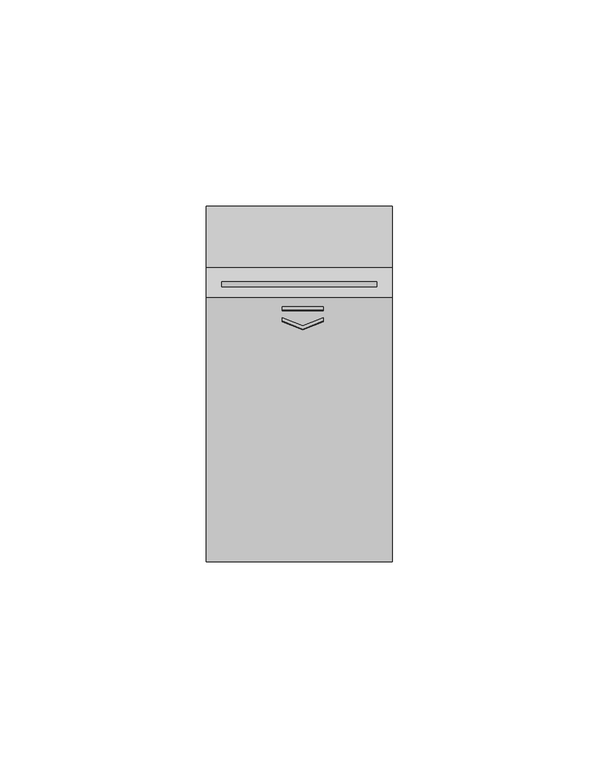
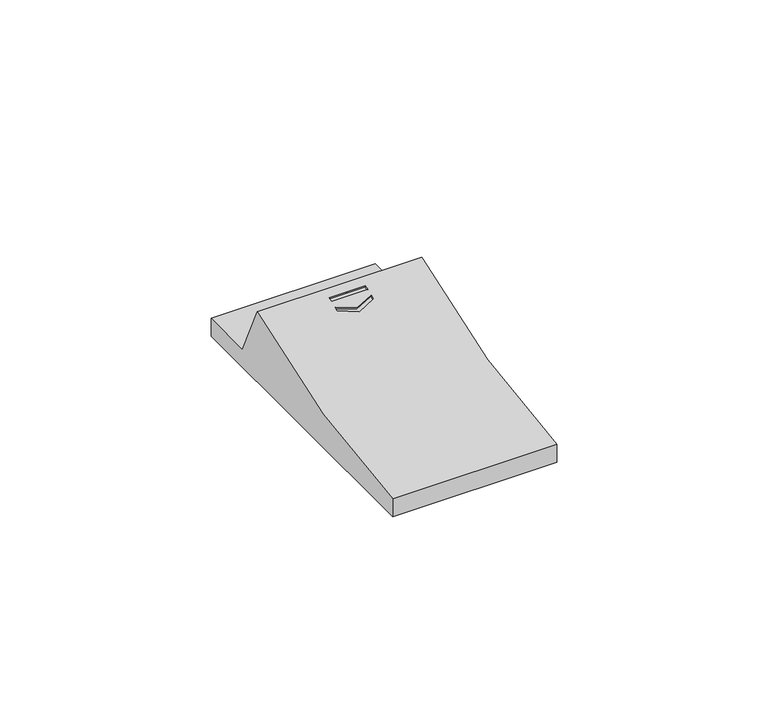
"""IFC4 building model written with IfcOpenShell, lengths in millimetres: proxy geometry."""

from ifc_helpers import new_model, si_unit, frame, origin, place, context, project, spatial, polyline, circle_curve, ellipse_curve, source, transform, mapped, element, save
from ifc_brep_helpers import plane_surface, revolved_surface, advanced_brep


def electrical_fixtures_a08c977b(model_context):
    return source(origin(), model_context, "Body", "AdvancedBrep", [
        advanced_brep(
        [(45.0, 86.0, 10.7), (45.0, 71.14, 10.7), (45.0, 64.0, 26.0), (45.0, 0.0, 10.7), (45.0, 0.0, 5.5), (45.0, 86.0, 5.5), (0.0, 86.0, 10.7), (0.0, 86.0, 5.5), (0.0, 0.0, 5.5), (0.0, 0.0, 10.7), (0.0, 64.0, 26.0), (0.0, 71.14, 10.7), (41.3, 67.7409841, 17.9836055), (41.3, 66.5401451, 20.556832), (3.7, 66.5401451, 20.556832), (3.7, 67.7409841, 17.9836055), (23.325, 62.0114424, 24.3197945), (18.3965057, 62.0114424, 24.3197945), (18.3965057, 60.97647, 23.9225058), (23.325, 60.97647, 23.9225058), (28.2534943, 60.97647, 23.9225058), (28.2534943, 62.0114424, 24.3197945), (18.3965057, 59.317157, 23.2855552), (18.3965057, 58.2821846, 22.8882666), (23.325, 56.3085679, 22.1306661), (28.2534943, 58.2821846, 22.8882666), (28.2534943, 59.317157, 23.2855552), (23.325, 57.3435402, 22.5279548), (28.2534943, 61.7538574, 24.9908264), (23.325, 61.7538574, 24.9908264), (28.2534943, 60.7368686, 24.546689), (23.325, 60.7368686, 24.546689), (18.3965057, 60.7368686, 24.546689), (18.3965057, 61.7538574, 24.9908264), (23.325, 57.146505, 23.041249), (18.3965057, 59.1009652, 23.8487541), (28.2534943, 59.1009652, 23.8487541), (28.2534943, 58.0772151, 23.4222305), (23.325, 56.1178086, 22.6276109), (18.3965057, 58.0772151, 23.4222305), (41.3, 46.5694673, 8.1035643), (41.3, 45.3686282, 10.6767908), (3.7, 45.3686282, 10.6767908), (3.7, 46.5694673, 8.1035643)],
        [
            (0, 1),
            (1, 2),
            (2, 3, circle_curve(frame((45.0, -6.7624063, 180.4933989), z_axis=(-1.0, 0.0, 0.0), x_axis=(0.0, 1.0, 0.0)), 169.9280096)),
            (3, 4),
            (4, 5),
            (5, 0),
            (6, 7),
            (7, 8),
            (8, 9),
            (9, 10, circle_curve(frame((0.0, -6.7624063, 180.4933989), z_axis=(1.0, 0.0, 0.0), x_axis=(0.0, 1.0, 0.0)), 169.9280096)),
            (10, 11),
            (11, 6),
            (5, 7),
            (6, 0),
            (4, 8),
            (1, 11),
            (10, 2),
            (12, 13),
            (13, 14),
            (14, 15),
            (15, 12),
            (16, 17),
            (17, 18),
            (18, 19),
            (19, 20),
            (20, 21),
            (21, 16),
            (22, 23),
            (23, 24),
            (24, 25),
            (25, 26),
            (26, 27),
            (27, 22),
            (21, 28),
            (28, 29),
            (29, 16),
            (20, 30),
            (30, 28, circle_curve(frame((28.2534943, -6.7624063, 180.4933989), z_axis=(1.0, 0.0, 0.0), x_axis=(0.0, 1.0, 0.0)), 169.9280096)),
            (19, 31),
            (31, 30),
            (18, 32),
            (32, 31),
            (17, 33),
            (33, 32, circle_curve(frame((18.3965057, -6.7624063, 180.4933989), z_axis=(-1.0, 0.0, 0.0), x_axis=(0.0, 1.0, 0.0)), 169.9280096)),
            (29, 33),
            (27, 34),
            (34, 35, ellipse_curve(frame((30.8745466, -6.7624063, 180.4933989), z_axis=(0.3942056566269387, 0.8579811862935159, 0.3293481201550954), x_axis=(-0.9190222523330563, 0.3680226850413878, 0.1412706728645523)), 431.0643613, 169.9280096)),
            (35, 22),
            (26, 36),
            (36, 34, ellipse_curve(frame((15.7754534, -6.7624063, 180.4933989), z_axis=(-0.3942056566269386, 0.8579811862935159, 0.3293481201550954), x_axis=(-0.9190222523330565, -0.36802268504138774, -0.1412706728645523)), 431.0643613, 169.9280096)),
            (25, 37),
            (37, 36, circle_curve(frame((28.2534943, -6.7624063, 180.4933989), z_axis=(1.0, 0.0, 0.0), x_axis=(0.0, 1.0, 0.0)), 169.9280096)),
            (24, 38),
            (38, 37, ellipse_curve(frame((18.3599751, -6.7624063, 180.4933989), z_axis=(0.39420565662695345, -0.857981186293508, -0.3293481201550989), x_axis=(-0.91902225233305, -0.3680226850414006, -0.14127067286456005)), 431.0643613, 169.9280096)),
            (23, 39),
            (39, 38, ellipse_curve(frame((28.2900249, -6.7624063, 180.4933989), z_axis=(-0.394205656626953, -0.8579811862935103, -0.32934812015509324), x_axis=(-0.9190222523330503, 0.3680226850414012, 0.14127067286455747)), 431.0643613, 169.9280096)),
            (35, 39, circle_curve(frame((18.3965057, -6.7624063, 180.4933989), z_axis=(-1.0, 0.0, 0.0), x_axis=(0.0, 1.0, 0.0)), 169.9280096)),
            (12, 40),
            (40, 41),
            (41, 13),
            (14, 42),
            (42, 43),
            (43, 15),
            (41, 42),
            (40, 43),
            (9, 3),
        ],
        [
            plane_surface(frame((45.0, -1399.4208958, 10.7), z_axis=(1.0, 0.0, 0.0), x_axis=(0.0, -1.0, 0.0))),
            plane_surface(frame((0.0, -1399.4208958, 10.7), z_axis=(-1.0, 0.0, 0.0), x_axis=(0.0, 1.0, 0.0))),
            plane_surface(frame((45.0, 86.0, 5.5), z_axis=(0.0, 1.0, 0.0), x_axis=(-1.0, 0.0, 0.0))),
            plane_surface(frame((45.0, 0.0, 5.5), z_axis=(0.0, 0.0, -1.0), x_axis=(-1.0, 0.0, 0.0))),
            plane_surface(frame((45.0, 71.14, 10.7), z_axis=(0.0, 0.9061831399952359, 0.4228854653311871), x_axis=(-1.0, 0.0, 0.0))),
            plane_surface(frame((45.0, 86.0, 10.7), z_axis=(0.0, 0.0, 1.0), x_axis=(-1.0, 0.0, 0.0))),
            plane_surface(frame((27.3159943, 62.0114424, 24.3197945), z_axis=(0.0, -0.35836794954529977, 0.933580426497202), x_axis=(1.0, 0.0, 0.0))),
            plane_surface(frame((23.325, 62.0114424, 24.3197945), z_axis=(0.0, -0.9335804264972017, -0.3583679495453005), x_axis=(0.0, -0.3583679495453005, 0.9335804264972017))),
            plane_surface(frame((28.2534943, 62.0114424, 24.3197945), z_axis=(-1.0000000000000002, 0.0, 0.0), x_axis=(0.0, -0.3583679495453005, 0.9335804264972017))),
            plane_surface(frame((28.2534943, 60.97647, 23.9225058), z_axis=(0.0, 0.9335804264972017, 0.3583679495453005), x_axis=(0.0, -0.3583679495453005, 0.9335804264972017))),
            plane_surface(frame((23.325, 60.97647, 23.9225058), z_axis=(0.0, 0.9335804264972039, 0.3583679495452953), x_axis=(0.0, -0.3583679495452953, 0.9335804264972039))),
            plane_surface(frame((18.3965057, 60.97647, 23.9225058), z_axis=(1.0000000000000002, 0.0, 0.0), x_axis=(0.0, -0.3583679495453005, 0.9335804264972017))),
            plane_surface(frame((18.3965057, 62.0114424, 24.3197945), z_axis=(0.0, -0.9335804264972017, -0.3583679495453005), x_axis=(0.0, -0.3583679495453005, 0.9335804264972017))),
            plane_surface(frame((18.3965057, 59.317157, 23.2855552), z_axis=(-0.3942056566269388, -0.8579811862935162, -0.32934812015509546), x_axis=(0.0, -0.3583679495452942, 0.9335804264972042))),
            plane_surface(frame((23.325, 57.3435402, 22.5279548), z_axis=(0.39420565662693874, -0.8579811862935162, -0.32934812015509546), x_axis=(0.0, -0.3583679495452942, 0.9335804264972042))),
            plane_surface(frame((28.2534943, 59.317157, 23.2855552), z_axis=(-1.0000000000000002, 0.0, 0.0), x_axis=(0.0, -0.3583679495453005, 0.9335804264972017))),
            plane_surface(frame((28.2534943, 58.2821846, 22.8882666), z_axis=(-0.39420565662695345, 0.857981186293508, 0.3293481201550989), x_axis=(0.0, -0.3583679495453005, 0.9335804264972017))),
            plane_surface(frame((23.325, 56.3085679, 22.1306661), z_axis=(0.3942056566269531, 0.8579811862935105, 0.3293481201550933), x_axis=(0.0, -0.3583679495452942, 0.9335804264972042))),
            plane_surface(frame((18.3965057, 58.2821846, 22.8882666), z_axis=(1.0000000000000002, 0.0, 0.0), x_axis=(0.0, -0.3583679495453005, 0.9335804264972017))),
            plane_surface(frame((41.3, 66.5401451, 20.556832), z_axis=(-1.0000000000000002, 0.0, 0.0), x_axis=(0.0, -0.9061831399952629, -0.4228854653311295))),
            plane_surface(frame((3.7, 66.5401451, 20.556832), z_axis=(1.0000000000000002, 0.0, 0.0), x_axis=(0.0, 0.9061831399952629, 0.4228854653311295))),
            plane_surface(frame((41.3, 66.5401451, 20.556832), z_axis=(0.0, 0.4228854653311295, -0.9061831399952629), x_axis=(-1.0, 0.0, 0.0))),
            plane_surface(frame((41.3, 45.3686282, 10.6767908), z_axis=(0.0, 0.906183139995263, 0.4228854653311292), x_axis=(-1.0, 0.0, 0.0))),
            plane_surface(frame((41.3, 46.5694673, 8.1035643), z_axis=(0.0, -0.42288546533112964, 0.9061831399952628), x_axis=(-1.0, 0.0, 0.0))),
            revolved_surface(polyline([(-380.3822868224364, 163.1656033, 180.4933989), (427.03228682243633, 163.1656033, 180.4933989)]), (0.0, -6.7624063, 180.4933989), (-1.0, 0.0, 0.0)),
            plane_surface(frame((45.0, 0.0, 10.7), z_axis=(0.0, -1.0, 0.0), x_axis=(-1.0, 0.0, 0.0))),
        ],
        [
            (0, [[1, 2, 3, 4, 5, 6]]),
            (1, [[7, 8, 9, 10, 11, 12]]),
            (2, [[-6, 13, -7, 14]]),
            (3, [[-5, 15, -8, -13]]),
            (4, [[-2, 16, -11, 17], [18, 19, 20, 21]]),
            (5, [[-1, -14, -12, -16]]),
            (6, [[22, 23, 24, 25, 26, 27]]),
            (6, [[28, 29, 30, 31, 32, 33]]),
            (7, [[-27, 34, 35, 36]]),
            (8, [[-26, 37, 38, -34]]),
            (9, [[-25, 39, 40, -37]]),
            (10, [[-24, 41, 42, -39]]),
            (11, [[-23, 43, 44, -41]]),
            (12, [[-22, -36, 45, -43]]),
            (13, [[-33, 46, 47, 48]]),
            (14, [[-32, 49, 50, -46]]),
            (15, [[-31, 51, 52, -49]]),
            (16, [[-30, 53, 54, -51]]),
            (17, [[-29, 55, 56, -53]]),
            (18, [[-28, -48, 57, -55]]),
            (19, [[58, 59, 60, -18]]),
            (20, [[61, 62, 63, -20]]),
            (21, [[-60, 64, -61, -19]]),
            (22, [[-59, 65, -62, -64]]),
            (23, [[-58, -21, -63, -65]]),
            (24, [[-3, -17, -10, 66], [-35, -38, -40, -42, -44, -45], [-47, -50, -52, -54, -56, -57]]),
            (25, [[-4, -66, -9, -15]]),
        ],
    ),
    ])


if __name__ == "__main__":
    model = new_model("IFC4")
    model_context = context("Model", 3, world=origin())
    ifc_project = project(units=[si_unit("LENGTHUNIT", "METRE", prefix="MILLI")], contexts=[model_context])
    site = spatial("IfcSite", under=ifc_project)
    building = spatial("IfcBuilding", under=site)
    placement = place(None, origin())
    electrical_fixtures_shape = electrical_fixtures_a08c977b(model_context)
    element("IfcBuildingElementProxy", 1, Name="Electrical Fixtures", at=placement, inside=building, context=model_context, shape_type="MappedRepresentation", body=[
        mapped(electrical_fixtures_shape, transform((0.0, 0.0, 0.0), x_axis=(1.0, 0.0, 0.0), y_axis=(0.0, 1.0, 0.0), z_axis=(0.0, 0.0, 1.0))),
    ])
    save(model, "model.ifc")
